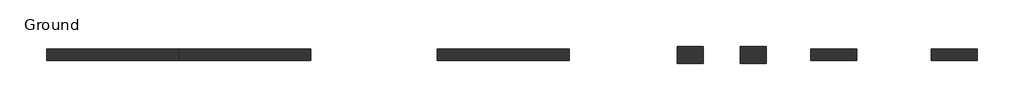
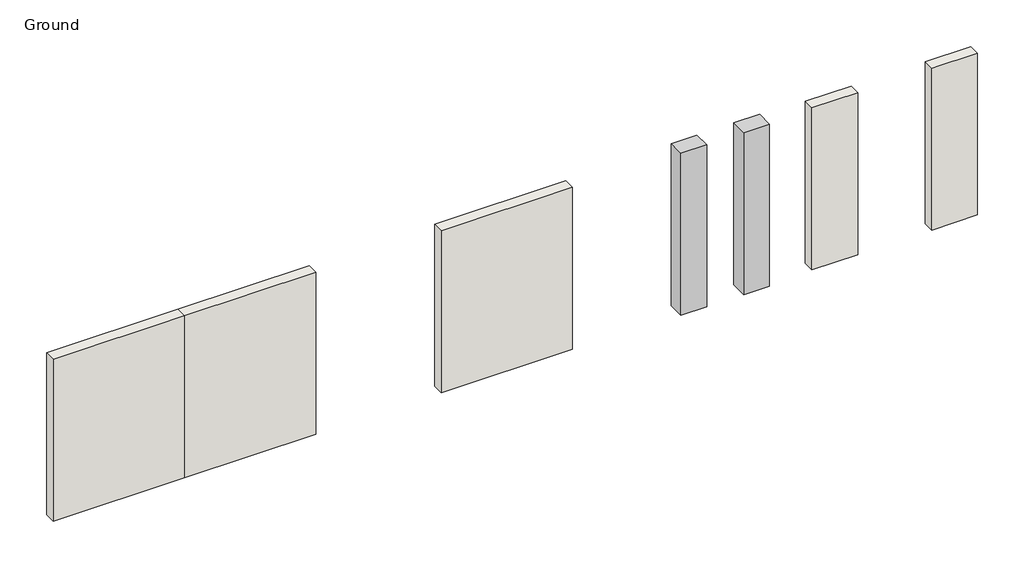
# One storey: 5 walls, 2 columns.
"""IFC4 building model written with IfcOpenShell, lengths in millimetres."""

from ifc_helpers import new_model, si_unit, origin, origin_with_axes, place, context, project, spatial, polyline, outline, extrude, element, save

model = new_model("IFC4")

# Units and contexts
model_context = context("Model", 3, world=origin())
ifc_project = project(units=[si_unit("LENGTHUNIT", "METRE", prefix="MILLI")], contexts=[model_context])

# Site, building, storey
site = spatial("IfcSite", under=ifc_project)
building = spatial("IfcBuilding", under=site)
storey = spatial("IfcBuildingStorey", under=building, Name="Ground", Elevation=0.0)

# Columns
placement = place(None, origin())
element("IfcColumn", 1, ObjectType="Concrete-Rectangular-Column : 300 x 450mm", at=placement, inside=storey, context=model_context, shape_type="SweptSolid", body=[
    extrude(outline(polyline([(3369.8659013, 11056.1906431), (2919.8659013, 11056.1906431), (2919.8659013, 11356.1906431), (3369.8659013, 11356.1906431), (3369.8659013, 11056.1906431)])), origin_with_axes(), (0.0, 0.0, 1.0), 3000.0),
])
element("IfcColumn", 2, ObjectType="Concrete-Rectangular-Column : 300 x 450mm", at=placement, inside=storey, context=model_context, shape_type="SweptSolid", body=[
    extrude(outline(polyline([(2269.8659013, 11056.1906431), (1819.8659013, 11056.1906431), (1819.8659013, 11356.1906431), (2269.8659013, 11356.1906431), (2269.8659013, 11056.1906431)])), origin_with_axes(), (0.0, 0.0, 1.0), 3000.0),
])

# Walls
element("IfcWall", 3, ObjectType="Generic - 200mm", at=placement, inside=storey, context=model_context, shape_type="SweptSolid", body=[
    extrude(outline(polyline([(-4555.1340987, 11106.1906431), (-6855.1340987, 11106.1906431), (-6855.1340987, 11306.1906431), (-4555.1340987, 11306.1906431), (-4555.1340987, 11106.1906431)])), origin_with_axes(), (0.0, 0.0, 1.0), 3000.0),
])
element("IfcWall", 4, ObjectType="Generic - 200mm", at=placement, inside=storey, context=model_context, shape_type="SweptSolid", body=[
    extrude(outline(polyline([(-55.1340987, 11106.1906431), (-2355.1340987, 11106.1906431), (-2355.1340987, 11306.1906431), (-55.1340987, 11306.1906431), (-55.1340987, 11106.1906431)])), origin_with_axes(), (0.0, 0.0, 1.0), 3000.0),
])
element("IfcWall", 5, ObjectType="Generic - 200mm", at=placement, inside=storey, context=model_context, shape_type="SweptSolid", body=[
    extrude(outline(polyline([(4944.8659013, 11106.1906431), (4144.8659013, 11106.1906431), (4144.8659013, 11306.1906431), (4944.8659013, 11306.1906431), (4944.8659013, 11106.1906431)])), origin_with_axes(), (0.0, 0.0, 1.0), 3000.0),
])
element("IfcWall", 6, ObjectType="Generic - 200mm", at=placement, inside=storey, context=model_context, shape_type="SweptSolid", body=[
    extrude(outline(polyline([(7044.8659013, 11106.1906431), (6244.8659013, 11106.1906431), (6244.8659013, 11306.1906431), (7044.8659013, 11306.1906431), (7044.8659013, 11106.1906431)])), origin_with_axes(), (0.0, 0.0, 1.0), 3000.0),
])
element("IfcWall", 7, ObjectType="Generic - 200mm", at=placement, inside=storey, context=model_context, shape_type="SweptSolid", body=[
    extrude(outline(polyline([(-6855.1340987, 11106.1906431), (-9155.1340987, 11106.1906431), (-9155.1340987, 11306.1906431), (-6855.1340987, 11306.1906431), (-6855.1340987, 11106.1906431)])), origin_with_axes(), (0.0, 0.0, 1.0), 3000.0),
])

save(model, "model.ifc")
